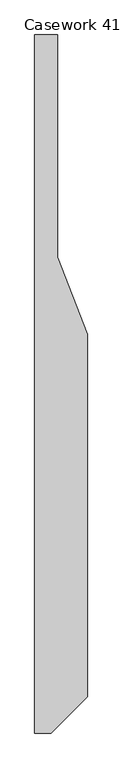
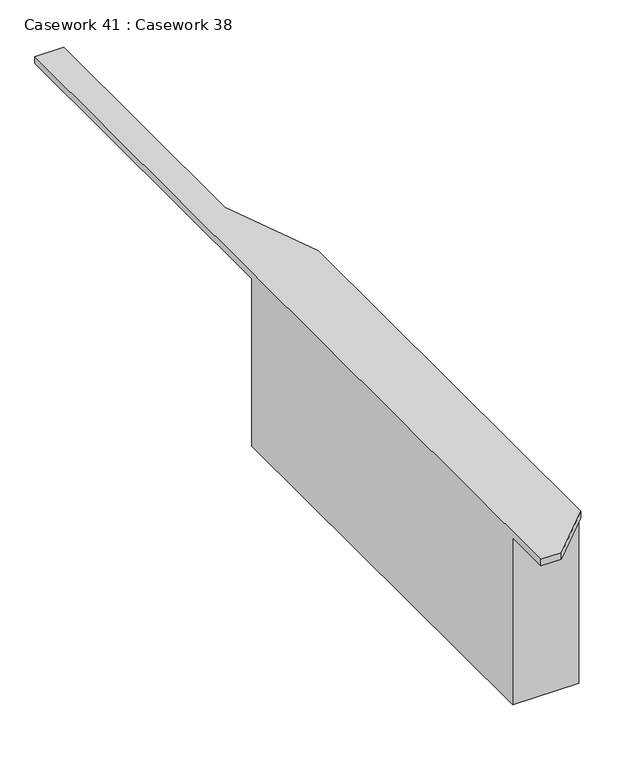
"""IFC4 building model written with IfcOpenShell, lengths in millimetres: furniture geometry, Casework 41 : Casework 38."""

from ifc_helpers import new_model, si_unit, origin, place, context, project, spatial, faceted_brep, source, transform, mapped, element, save


def casework_41_casework_38_21bbc086(model_context):
    return source(origin(), model_context, "Body", "Brep", [
        faceted_brep([(-20342.4595271, 33920.7728212, -11277.6), (-19986.6025078, 33920.7728212, -11277.6), (-19986.6025078, 31491.8557485, -11277.6), (-20342.4595271, 31491.8557485, -11277.6), (-20342.4595271, 31491.8557485, -10326.5836724), (-20342.4595271, 31227.7085771, -10326.5836724), (-20342.4595271, 31227.7085771, -10289.9840755), (-20342.4595271, 35943.7055178, -10289.9840755), (-20342.4595271, 35943.7055178, -10326.5836724), (-20342.4595271, 33920.7728212, -10326.5836724), (-19986.6025078, 31491.8557485, -10326.5836724), (-19986.6025078, 33920.7728212, -10326.5836724), (-19986.6025078, 33920.7728212, -10289.9840755), (-19986.6025078, 31472.8057485, -10289.9840755), (-19986.6025078, 31472.8057485, -10326.5836724), (-20186.858518, 34442.4575636, -10289.9840755), (-20186.858518, 35943.7055178, -10289.9840755), (-20231.6996792, 31227.7085771, -10289.9840755), (-20231.6996792, 31227.7085771, -10326.5836724), (-20186.858518, 35943.7055178, -10326.5836724), (-20186.858518, 34442.4575636, -10326.5836724)], [[[0, 1, 2, 3]], [[0, 3, 4, 5, 6, 7, 8, 9]], [[3, 2, 10, 4]], [[2, 1, 11, 12, 13, 14, 10]], [[1, 0, 9, 11]], [[12, 15, 16, 7, 6, 17, 13]], [[14, 18, 5, 4, 10]], [[8, 19, 20, 11, 9]], [[15, 12, 11, 20]], [[16, 15, 20, 19]], [[7, 16, 19, 8]], [[17, 6, 5, 18]], [[13, 17, 18, 14]]]),
    ])


if __name__ == "__main__":
    model = new_model("IFC4")
    model_context = context("Model", 3, world=origin())
    ifc_project = project(units=[si_unit("LENGTHUNIT", "METRE", prefix="MILLI")], contexts=[model_context])
    site = spatial("IfcSite", under=ifc_project)
    building = spatial("IfcBuilding", under=site)
    placement = place(None, origin())
    casework_41_casework_38_shape = casework_41_casework_38_21bbc086(model_context)
    element("IfcFurniture", 1, ObjectType="Casework 41 : Casework 38", at=placement, inside=building, context=model_context, shape_type="MappedRepresentation", body=[
        mapped(casework_41_casework_38_shape, transform((0.0, 0.0, 0.0), x_axis=(1.0, 0.0, 0.0), y_axis=(0.0, 1.0, 0.0), z_axis=(0.0, 0.0, 1.0))),
    ])
    save(model, "model.ifc")
